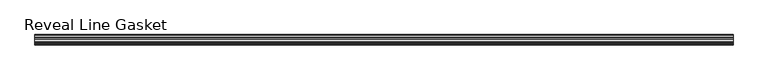
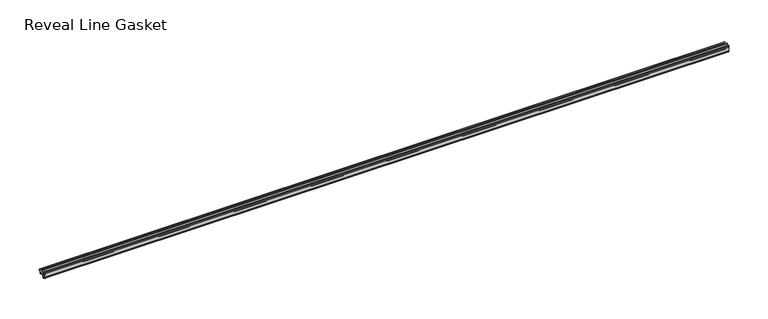
"""IFC4 building model written with IfcOpenShell, lengths in millimetres: furniture geometry, Reveal Line Gasket."""

import ifcopenshell
import ifcopenshell.guid

model = None  # the IFC model being written
_history = None  # IfcOwnerHistory: only IFC2X3 demands one
_inside = {}  # id of a spatial element -> (the spatial element, [elements in it])
_under = {}  # id of a project, library or spatial element -> (it, [spatial elements below it])
_declared = {}  # id of a project -> (the project, [libraries it declares])
_typed = {}  # id of a type object -> (the type object, [elements of that type])
_made_of = {}  # id of a material, layer set ... -> (it, [elements and type objects made of it])


def new_model(schema):
    """Start an empty IFC model of exactly this schema.

    Asked for "IFC4X3", IfcOpenShell would pick the latest addendum, in which some entities
    have other attributes; the version numbers below select the first issue.
    IFC2X3 requires an IfcOwnerHistory on every rooted entity: one is made here for all.
    """
    global model, _history
    if schema == "IFC4X3":
        model = ifcopenshell.file(schema_version=(4, 3, 0, 0))
    else:
        model = ifcopenshell.file(schema=schema)
    _inside.clear()
    _under.clear()
    _declared.clear()
    _typed.clear()
    _made_of.clear()
    _history = None
    if model.schema == "IFC2X3":
        org = make("IfcOrganization", Name="unknown")
        user = make(
            "IfcPersonAndOrganization",
            ThePerson=make("IfcPerson", FamilyName="unknown"),
            TheOrganization=org,
        )
        app = make(
            "IfcApplication",
            ApplicationDeveloper=org,
            Version="unknown",
            ApplicationFullName="unknown",
            ApplicationIdentifier="unknown",
        )
        _history = make(
            "IfcOwnerHistory",
            OwningUser=user,
            OwningApplication=app,
            ChangeAction="ADDED",
            CreationDate=0,
        )
    return model


def make(cls, **values):
    """One entity of the class cls with the attributes given. An attribute that is None is left unset."""
    return model.create_entity(
        cls, **{name: value for name, value in values.items() if value is not None}
    )


def rooted(cls, **values):
    """An entity with a GlobalId (a new one), such as an element, a storey or a relation."""
    return make(cls, GlobalId=ifcopenshell.guid.new(), OwnerHistory=_history, **values)


def si_unit(unit_type, name, prefix=None):
    """IfcSIUnit, for example si_unit("LENGTHUNIT", "METRE", prefix="MILLI")."""
    return make("IfcSIUnit", UnitType=unit_type, Prefix=prefix, Name=name)


def assignment(units):
    """IfcUnitAssignment: the units of a project."""
    return None if units is None else make("IfcUnitAssignment", Units=units)


def point(xyz):
    """IfcCartesianPoint."""
    return None if xyz is None else make("IfcCartesianPoint", Coordinates=xyz)


def direction(xyz):
    """IfcDirection."""
    return None if xyz is None else make("IfcDirection", DirectionRatios=xyz)


def frame(location, z_axis=None, x_axis=None):
    """IfcAxis2Placement3D, a coordinate frame: its origin and axes. An axis left out is left unset."""
    return make(
        "IfcAxis2Placement3D",
        Location=point(location),
        Axis=direction(z_axis),
        RefDirection=direction(x_axis),
    )


def frame_2d(location, x_axis=None):
    """IfcAxis2Placement2D, a coordinate frame in the plane: its origin and x axis."""
    return make(
        "IfcAxis2Placement2D", Location=point(location), RefDirection=direction(x_axis)
    )


def origin():
    """The frame at (0, 0, 0) with its axes left unset."""
    return frame((0.0, 0.0, 0.0))


def place(relative_to, where):
    """IfcLocalPlacement: puts the frame where relative to a parent placement (None: the world)."""
    return make(
        "IfcLocalPlacement", PlacementRelTo=relative_to, RelativePlacement=where
    )


def context(
    kind, dimensions, precision=None, world=None, true_north=None, identifier=None
):
    """IfcGeometricRepresentationContext, for example the 3D "Model" context."""
    return make(
        "IfcGeometricRepresentationContext",
        ContextIdentifier=identifier,
        ContextType=kind,
        CoordinateSpaceDimension=dimensions,
        Precision=precision,
        WorldCoordinateSystem=world,
        TrueNorth=true_north,
    )


def project(units=None, contexts=None):
    """IfcProject with its units and contexts."""
    return rooted(
        "IfcProject",
        Name="project",
        RepresentationContexts=contexts,
        UnitsInContext=assignment(units),
    )


def spatial(cls, under=None, at=None, **own):
    """A site, building, storey or space (cls), placed at a placement, below another one or the project."""
    s = rooted(cls, ObjectPlacement=at, **own)
    if under is not None:
        _under.setdefault(under.id(), (under, []))[1].append(s)
    return s


def polyline(points):
    """IfcPolyline through the points."""
    return make("IfcPolyline", Points=[point(p) for p in points])


def circle_curve(where, radius):
    """IfcCircle in the frame where."""
    return make("IfcCircle", Position=where, Radius=radius)


def trimmed(basis, trim1, trim2, sense, master):
    """IfcTrimmedCurve: the piece of a basis curve between two trims."""
    return make(
        "IfcTrimmedCurve",
        BasisCurve=basis,
        Trim1=trim1,
        Trim2=trim2,
        SenseAgreement=sense,
        MasterRepresentation=master,
    )


def segment(curve, same_sense, transition):
    """IfcCompositeCurveSegment."""
    return make(
        "IfcCompositeCurveSegment",
        Transition=transition,
        SameSense=same_sense,
        ParentCurve=curve,
    )


def composite_curve(segments, self_intersect=None):
    """IfcCompositeCurve: segments joined end to end."""
    return make("IfcCompositeCurve", Segments=segments, SelfIntersect=self_intersect)


def outline(outer, holes=None, kind="AREA"):
    """IfcArbitraryClosedProfileDef: a profile drawn as a closed curve; with holes, ...WithVoids."""
    if holes is None:
        return make("IfcArbitraryClosedProfileDef", ProfileType=kind, OuterCurve=outer)
    return make(
        "IfcArbitraryProfileDefWithVoids",
        ProfileType=kind,
        OuterCurve=outer,
        InnerCurves=holes,
    )


def extrude(swept, where, along, depth):
    """IfcExtrudedAreaSolid: the profile swept, set in the frame where, extruded along a direction by depth."""
    return make(
        "IfcExtrudedAreaSolid",
        SweptArea=swept,
        Position=where,
        ExtrudedDirection=direction(along),
        Depth=depth,
    )


def shape(context_of_items, identifier, shape_type, items):
    """IfcShapeRepresentation: the items that make up one representation, for example the "Body"."""
    return make(
        "IfcShapeRepresentation",
        ContextOfItems=context_of_items,
        RepresentationIdentifier=identifier,
        RepresentationType=shape_type,
        Items=items,
    )


def source(mapping_origin, context_of_items, identifier, shape_type, items):
    """IfcRepresentationMap: a shape defined once, which mapped items show again and again."""
    return make(
        "IfcRepresentationMap",
        MappingOrigin=mapping_origin,
        MappedRepresentation=shape(context_of_items, identifier, shape_type, items),
    )


def transform(
    local_origin,
    x_axis=None,
    y_axis=None,
    z_axis=None,
    scale=None,
    scale2=None,
    scale3=None,
    uniform=True,
):
    """IfcCartesianTransformationOperator3D, or its non-uniform kind. x_axis, y_axis, z_axis: its Axis1, 2, 3."""
    if uniform:
        return make(
            "IfcCartesianTransformationOperator3D",
            Axis1=direction(x_axis),
            Axis2=direction(y_axis),
            LocalOrigin=point(local_origin),
            Scale=scale,
            Axis3=direction(z_axis),
        )
    return make(
        "IfcCartesianTransformationOperator3DnonUniform",
        Axis1=direction(x_axis),
        Axis2=direction(y_axis),
        LocalOrigin=point(local_origin),
        Scale=scale,
        Axis3=direction(z_axis),
        Scale2=scale2,
        Scale3=scale3,
    )


def mapped(mapping_source, mapping_target):
    """IfcMappedItem: shows the shape of a source again, moved by a transform."""
    return make(
        "IfcMappedItem", MappingSource=mapping_source, MappingTarget=mapping_target
    )


def made_of(thing, what):
    """Note that an element or type object is made of a material, layer set ...; save() writes the relation."""
    if what is not None:
        _made_of.setdefault(what.id(), (what, []))[1].append(thing)
    return thing


def element(
    cls,
    number,
    at=None,
    inside=None,
    cuts=None,
    type_object=None,
    material=None,
    context=None,
    identifier="Body",
    shape_type=None,
    held_by="IfcProductDefinitionShape",
    body=None,
    shapes=None,
    **own,
):
    """One element of the class cls, such as IfcWall. Its Tag is "e" and its number.

    at: its placement. inside: the storey or other place that contains it. cuts: it is an
    opening in that element (IfcRelVoidsElement). A single representation is given by context,
    identifier, shape_type and body (its items); several are given by shapes. held_by: the class
    of the entity that holds the representations. save() writes the other relations.
    """
    e = rooted(cls, Tag="e%d" % number, ObjectPlacement=at, **own)
    if body is not None:
        shapes = [shape(context, identifier, shape_type, body)]
    if shapes is not None:
        e.Representation = make(held_by, Representations=shapes)
    if inside is not None:
        _inside.setdefault(inside.id(), (inside, []))[1].append(e)
    if cuts is not None:
        rooted(
            "IfcRelVoidsElement", RelatingBuildingElement=cuts, RelatedOpeningElement=e
        )
    if type_object is not None:
        _typed.setdefault(type_object.id(), (type_object, []))[1].append(e)
    return made_of(e, material)


def aggregate(whole, parts):
    """IfcRelAggregates: a whole, such as a stair, and the parts it consists of."""
    return rooted("IfcRelAggregates", RelatingObject=whole, RelatedObjects=parts)


def save(model, path):
    """Write the relations noted so far, then the file.

    IfcRelAggregates (storeys below a building ...), IfcRelContainedInSpatialStructure (elements
    in a storey), IfcRelDefinesByType, IfcRelAssociatesMaterial and IfcRelDeclares: one each for
    every whole, place, type object, material and project.
    """
    for whole, parts in _under.values():
        aggregate(whole, parts)
    for where, things in _inside.values():
        rooted(
            "IfcRelContainedInSpatialStructure",
            RelatedElements=things,
            RelatingStructure=where,
        )
    for kind, things in _typed.values():
        rooted("IfcRelDefinesByType", RelatedObjects=things, RelatingType=kind)
    for what, things in _made_of.values():
        rooted("IfcRelAssociatesMaterial", RelatedObjects=things, RelatingMaterial=what)
    for by, libraries in _declared.values():
        rooted("IfcRelDeclares", RelatingContext=by, RelatedDefinitions=libraries)
    model.write(path)


def reveal_line_gasket_9d2f0afe(model_context):
    return source(origin(), model_context, "Body", "SweptSolid", [
        extrude(outline(composite_curve([segment(polyline([(-7.6326998, 1603.2), (-7.4091917, 1604.1554927), (-6.8813059, 1605.0884684)]), True, "CONTINUOUS"), segment(trimmed(circle_curve(frame_2d((-6.5243141, 1604.8864793)), 0.4101739), [point((-6.8813059, 1605.0884684))], [point((-6.1246704, 1604.7941347))], False, "CARTESIAN"), True, "CONTINUOUS"), segment(polyline([(-6.1246704, 1604.7941347), (-6.3626997, 1603.0979086), (-6.3626997, 1601.0654527)]), True, "CONTINUOUS"), segment(trimmed(circle_curve(frame_2d((-5.6959605, 1601.4819258)), 0.786124), [point((-6.3626997, 1601.0654527))], [point((-5.0926996, 1600.977875))], True, "CARTESIAN"), True, "CONTINUOUS"), segment(polyline([(-5.0926996, 1600.977875), (-0.7492996, 1600.977875), (-3.7293824, 1606.1395295)]), True, "CONTINUOUS"), segment(trimmed(circle_curve(frame_2d((-3.3132479, 1606.2049761)), 0.4212495), [point((-3.7293824, 1606.1395295))], [point((-3.0485022, 1606.5326358))], False, "CARTESIAN"), True, "CONTINUOUS"), segment(polyline([(-3.0485022, 1606.5326358), (0.5742594, 1600.977875), (4.8262978, 1600.977875), (3.1660374, 1603.8535297)]), True, "CONTINUOUS"), segment(trimmed(circle_curve(frame_2d((3.5978728, 1603.9118855)), 0.4357605), [point((3.1660374, 1603.8535297))], [point((3.864328, 1604.2566881))], False, "CARTESIAN"), True, "CONTINUOUS"), segment(polyline([(3.864328, 1604.2566881), (6.1944059, 1600.977875), (7.6326998, 1600.977875), (7.6326998, 1599.422125), (6.1944059, 1599.422125), (3.864328, 1596.1433119)]), True, "CONTINUOUS"), segment(trimmed(circle_curve(frame_2d((3.5978728, 1596.4881145)), 0.4357605), [point((3.864328, 1596.1433119))], [point((3.1660374, 1596.5464703))], False, "CARTESIAN"), True, "CONTINUOUS"), segment(polyline([(3.1660374, 1596.5464703), (4.8262978, 1599.422125), (0.5742594, 1599.422125), (-3.0485022, 1593.8673642)]), True, "CONTINUOUS"), segment(trimmed(circle_curve(frame_2d((-3.3132479, 1594.1950239)), 0.4212495), [point((-3.0485022, 1593.8673642))], [point((-3.7293824, 1594.2604705))], False, "CARTESIAN"), True, "CONTINUOUS"), segment(polyline([(-3.7293824, 1594.2604705), (-0.7492996, 1599.422125), (-5.0926996, 1599.422125)]), True, "CONTINUOUS"), segment(trimmed(circle_curve(frame_2d((-5.6959605, 1598.9180742)), 0.786124), [point((-5.0926996, 1599.422125))], [point((-6.3626997, 1599.3345473))], True, "CARTESIAN"), True, "CONTINUOUS"), segment(polyline([(-6.3626997, 1599.3345473), (-6.3626997, 1597.3020914), (-6.1246704, 1595.6058653)]), True, "CONTINUOUS"), segment(trimmed(circle_curve(frame_2d((-6.5243141, 1595.5135207)), 0.4101739), [point((-6.1246704, 1595.6058653))], [point((-6.8813059, 1595.3115316))], False, "CARTESIAN"), True, "CONTINUOUS"), segment(polyline([(-6.8813059, 1595.3115316), (-7.4091917, 1596.2445073), (-7.6326998, 1597.2), (-7.6326998, 1603.2)]), True, "CONTINUOUS")], self_intersect=False)), frame((-506.1204, 0.0, 0.0), z_axis=(1.0, 0.0, 0.0), x_axis=(0.0, 1.0, 0.0)), (0.0, 0.0, 1.0), 1012.2408),
    ])


if __name__ == "__main__":
    model = new_model("IFC4")
    model_context = context("Model", 3, world=origin())
    ifc_project = project(units=[si_unit("LENGTHUNIT", "METRE", prefix="MILLI")], contexts=[model_context])
    site = spatial("IfcSite", under=ifc_project)
    building = spatial("IfcBuilding", under=site)
    placement = place(None, origin())
    reveal_line_gasket_shape = reveal_line_gasket_9d2f0afe(model_context)
    element("IfcFurniture", 1, ObjectType="Reveal Line Gasket", at=placement, inside=building, context=model_context, shape_type="MappedRepresentation", body=[
        mapped(reveal_line_gasket_shape, transform((0.0, 0.0, 0.0), x_axis=(1.0, 0.0, 0.0), y_axis=(0.0, 1.0, 0.0), z_axis=(0.0, 0.0, 1.0))),
    ])
    save(model, "model.ifc")
